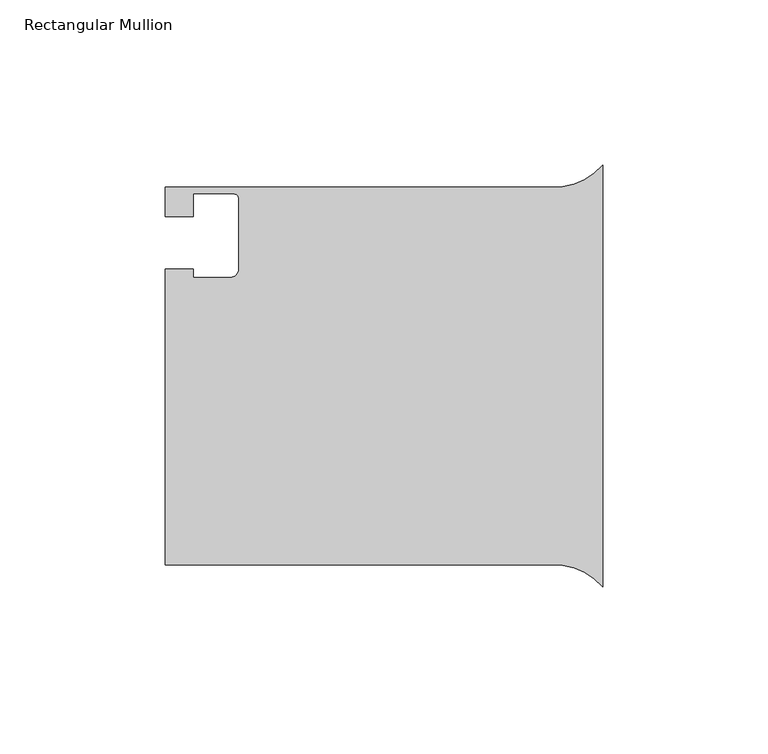
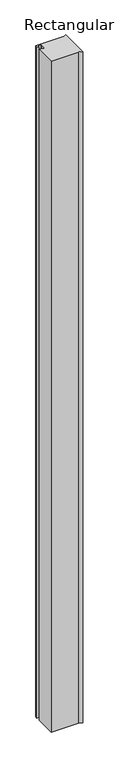
"""IFC4 building model written with IfcOpenShell, lengths in millimetres: member geometry, Rectangular Mullion."""

from ifc_helpers import new_model, si_unit, point, frame, frame_2d, origin, place, context, project, spatial, polyline, circle_curve, trimmed, segment, composite_curve, outline, extrude, source, transform, mapped, element, save


def rectangular_mullion_fd954d66(model_context):
    return source(origin(), model_context, "Body", "SweptSolid", [
        extrude(outline(composite_curve([segment(trimmed(circle_curve(frame_2d((-14.4781283, -76.3341101)), 19.1273576), [point((0.0, -63.8345257))], [point((-15.5444015, -57.2364958))], True, "CARTESIAN"), True, "CONTINUOUS"), segment(polyline([(-15.5444015, -57.2364958), (-132.2066015, -57.2314068), (-132.2066015, 32.2781932), (-123.8064304, 32.2781932), (-123.8064304, 29.7380662), (-112.5216015, 29.7380662)]), True, "CONTINUOUS"), segment(trimmed(circle_curve(frame_2d((-112.5216015, 32.2780662)), 2.54), [point((-112.5216015, 29.7380662))], [point((-109.9816015, 32.2780662))], True, "CARTESIAN"), True, "CONTINUOUS"), segment(polyline([(-109.9816015, 32.2780662), (-109.9816015, 53.5125932)]), True, "CONTINUOUS"), segment(trimmed(circle_curve(frame_2d((-111.5056015, 53.5125932)), 1.524), [point((-109.9816015, 53.5125932))], [point((-111.5056015, 55.0365932))], True, "CARTESIAN"), True, "CONTINUOUS"), segment(polyline([(-111.5056015, 55.0365932), (-123.8119015, 55.0365932), (-123.8119015, 48.1785932), (-132.2066015, 48.1785932), (-132.2066015, 57.0685932), (-15.5444015, 57.0738091)]), True, "CONTINUOUS"), segment(trimmed(circle_curve(frame_2d((-14.4781283, 76.1714234)), 19.1273576), [point((-15.5444015, 57.0738091))], [point((0.0, 63.671839))], True, "CARTESIAN"), True, "CONTINUOUS"), segment(polyline([(0.0, 63.671839), (0.0, -63.8345257)]), True, "CONTINUOUS")], self_intersect=False)), frame((0.0, 0.0, -3048.0), z_axis=(0.0, 0.0, 1.0), x_axis=(1.0, 0.0, 0.0)), (0.0, 0.0, 1.0), 3048.0),
    ])


if __name__ == "__main__":
    model = new_model("IFC4")
    model_context = context("Model", 3, world=origin())
    ifc_project = project(units=[si_unit("LENGTHUNIT", "METRE", prefix="MILLI")], contexts=[model_context])
    site = spatial("IfcSite", under=ifc_project)
    building = spatial("IfcBuilding", under=site)
    placement = place(None, origin())
    rectangular_mullion_shape = rectangular_mullion_fd954d66(model_context)
    element("IfcMember", 1, ObjectType="Rectangular Mullion", at=placement, inside=building, context=model_context, shape_type="MappedRepresentation", body=[
        mapped(rectangular_mullion_shape, transform((0.0, 0.0, 0.0), x_axis=(1.0, 0.0, 0.0), y_axis=(0.0, 1.0, 0.0), z_axis=(0.0, 0.0, 1.0))),
    ])
    save(model, "model.ifc")
